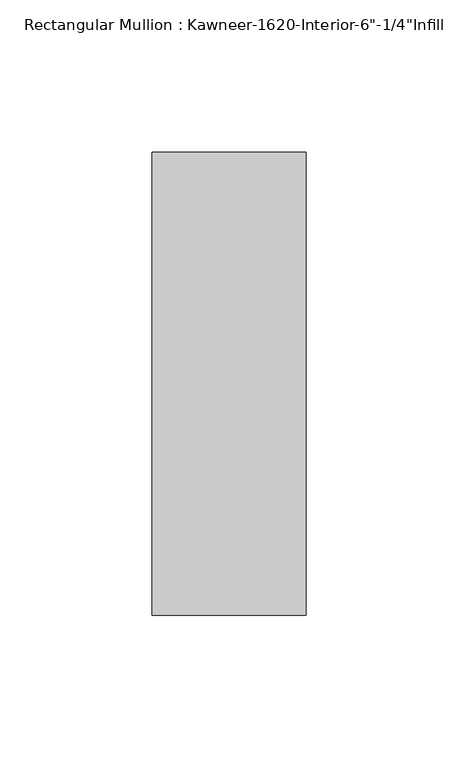
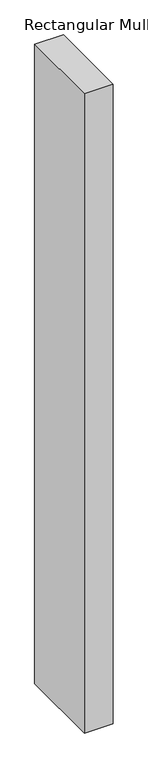
"""IFC4 building model written with IfcOpenShell, lengths in millimetres: member geometry."""

from ifc_helpers import new_model, si_unit, frame, origin, place, context, project, spatial, polyline, outline, extrude, source, transform, mapped, element, save


def member_0cebac22(model_context):
    return source(origin(), model_context, "Body", "SweptSolid", [
        extrude(outline(polyline([(25.4, -123.825), (-25.4, -123.825), (-25.4, 28.575), (25.4, 28.575), (25.4, -123.825)])), frame((0.0, 0.0, -1193.8), z_axis=(0.0, 0.0, 1.0), x_axis=(1.0, 0.0, 0.0)), (0.0, 0.0, 1.0), 1193.8),
    ])


if __name__ == "__main__":
    model = new_model("IFC4")
    model_context = context("Model", 3, world=origin())
    ifc_project = project(units=[si_unit("LENGTHUNIT", "METRE", prefix="MILLI")], contexts=[model_context])
    site = spatial("IfcSite", under=ifc_project)
    building = spatial("IfcBuilding", under=site)
    placement = place(None, origin())
    member_shape = member_0cebac22(model_context)
    element("IfcMember", 1, ObjectType="Rectangular Mullion : Kawneer-1620-Interior-6\"-1/4\"Infill", at=placement, inside=building, context=model_context, shape_type="MappedRepresentation", body=[
        mapped(member_shape, transform((0.0, 0.0, 0.0), x_axis=(1.0, 0.0, 0.0), y_axis=(0.0, 1.0, 0.0), z_axis=(0.0, 0.0, 1.0))),
    ])
    save(model, "model.ifc")
